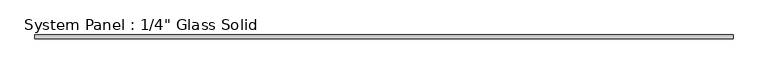
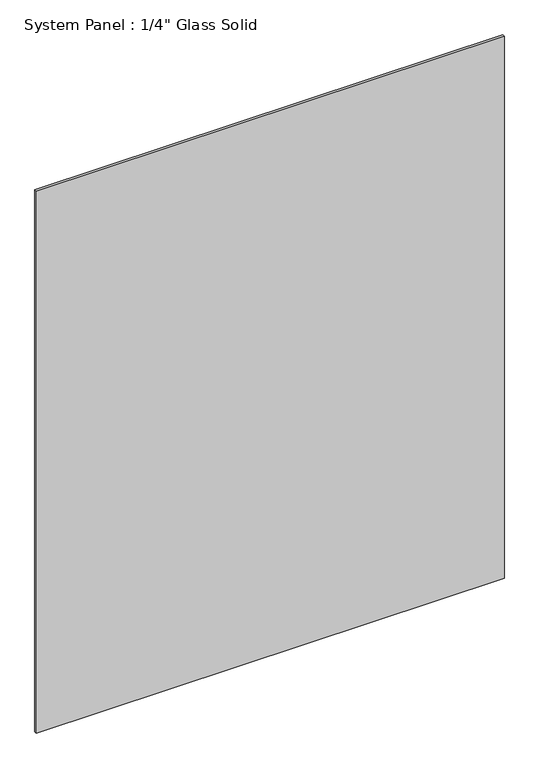
"""IFC4 building model written with IfcOpenShell, lengths in millimetres: plate geometry."""

from ifc_helpers import new_model, si_unit, origin, origin_with_axes, place, context, project, spatial, polyline, outline, extrude, source, transform, mapped, element, save


def plate_3e1ed9ff(model_context):
    return source(origin(), model_context, "Body", "SweptSolid", [
        extrude(outline(polyline([(577.8508852, -3.175), (-577.8508852, -3.175), (-577.8508852, 3.175), (577.8508852, 3.175), (577.8508852, -3.175)])), origin_with_axes(), (0.0, 0.0, 1.0), 1413.6241382),
    ])


if __name__ == "__main__":
    model = new_model("IFC4")
    model_context = context("Model", 3, world=origin())
    ifc_project = project(units=[si_unit("LENGTHUNIT", "METRE", prefix="MILLI")], contexts=[model_context])
    site = spatial("IfcSite", under=ifc_project)
    building = spatial("IfcBuilding", under=site)
    placement = place(None, origin())
    plate_shape = plate_3e1ed9ff(model_context)
    element("IfcPlate", 1, ObjectType="System Panel : 1/4\" Glass Solid", at=placement, inside=building, context=model_context, shape_type="MappedRepresentation", body=[
        mapped(plate_shape, transform((0.0, 0.0, 0.0), x_axis=(1.0, 0.0, 0.0), y_axis=(0.0, 1.0, 0.0), z_axis=(0.0, 0.0, 1.0))),
    ])
    save(model, "model.ifc")
